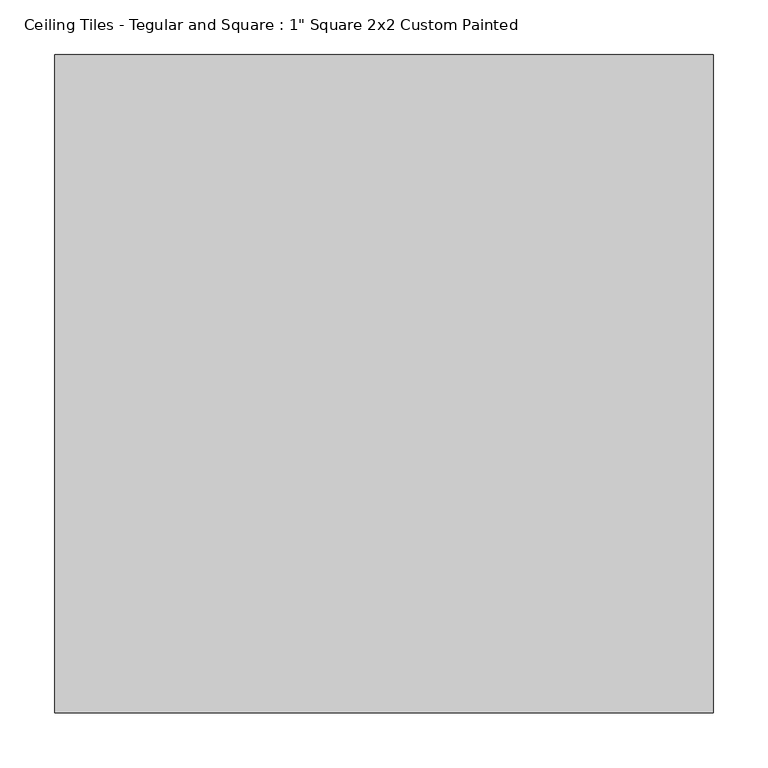
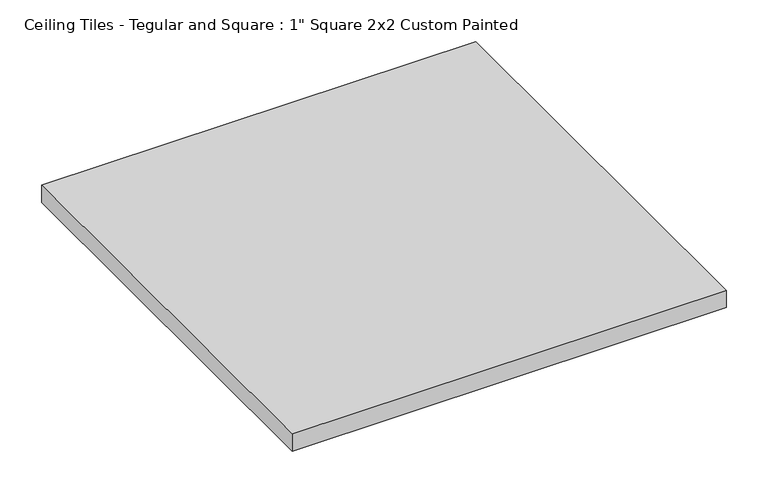
"""IFC4 building model written with IfcOpenShell, lengths in millimetres: proxy geometry."""

from ifc_helpers import new_model, si_unit, origin, origin_with_axes, place, context, project, spatial, polyline, outline, extrude, source, transform, mapped, element, save


def proxy_516bae67(model_context):
    return source(origin(), model_context, "Body", "SweptSolid", [
        extrude(outline(polyline([(-301.625, 301.625), (301.625, 301.625), (301.625, -301.625), (-301.625, -301.625), (-301.625, 301.625)])), origin_with_axes(), (0.0, 0.0, 1.0), 25.4),
    ])


if __name__ == "__main__":
    model = new_model("IFC4")
    model_context = context("Model", 3, world=origin())
    ifc_project = project(units=[si_unit("LENGTHUNIT", "METRE", prefix="MILLI")], contexts=[model_context])
    site = spatial("IfcSite", under=ifc_project)
    building = spatial("IfcBuilding", under=site)
    placement = place(None, origin())
    proxy_shape = proxy_516bae67(model_context)
    element("IfcBuildingElementProxy", 1, Name="Ceiling Tiles - Tegular and Square : 1\" Square 2x2 Custom Painted", ObjectType="Ceiling Tiles - Tegular and Square : 1\" Square 2x2 Custom Painted", at=placement, inside=building, context=model_context, shape_type="MappedRepresentation", body=[
        mapped(proxy_shape, transform((0.0, 0.0, 0.0), x_axis=(1.0, 0.0, 0.0), y_axis=(0.0, 1.0, 0.0), z_axis=(0.0, 0.0, 1.0))),
    ])
    save(model, "model.ifc")
